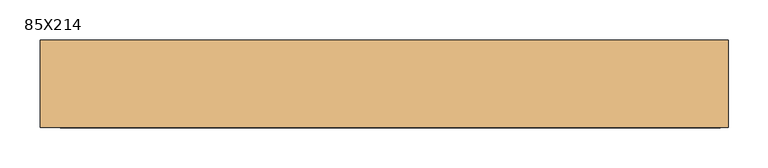
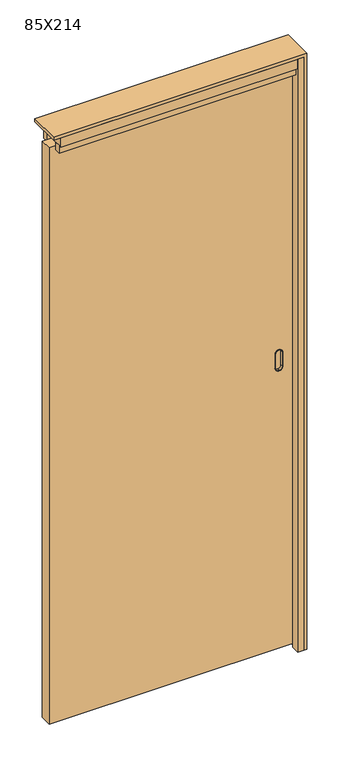
"""IFC4 building model written with IfcOpenShell, lengths in millimetres: door geometry, 85X214."""

from ifc_helpers import new_model, si_unit, point, frame, frame_2d, origin, origin_with_axes, place, context, project, spatial, polyline, circle_curve, trimmed, segment, composite_curve, outline, extrude, source, transform, mapped, element, save
from ifc_brep_helpers import plane_surface, cylinder_surface, revolved_surface, advanced_brep


def door_85x214_2cb1f0a0(model_context):
    return source(origin(), model_context, "Body", "SolidModel", [
        advanced_brep(
        [(359.5, -12.0, 1080.5), (360.5, -12.0, 1080.5), (371.5, -12.0, 1069.5), (371.5, -12.0, 1018.5), (360.5, -12.0, 1007.5), (359.5, -12.0, 1007.5), (348.5, -12.0, 1018.5), (348.5, -12.0, 1069.5), (359.5, -22.0, 1006.5), (360.5, -22.0, 1006.5), (372.5, -22.0, 1018.5), (372.5, -22.0, 1069.5), (360.5, -22.0, 1081.5), (359.5, -22.0, 1081.5), (347.5, -22.0, 1069.5), (347.5, -22.0, 1018.5), (359.5, -22.0, 1079.5), (360.5, -22.0, 1079.5), (370.5, -22.0, 1069.5), (370.5, -22.0, 1018.5), (360.5, -22.0, 1008.5), (359.5, -22.0, 1008.5), (349.5, -22.0, 1018.5), (349.5, -22.0, 1069.5), (348.5, -20.0, 1069.5), (359.5, -20.0, 1080.5), (348.5, -20.0, 1018.5), (359.5, -20.0, 1007.5), (360.5, -20.0, 1007.5), (371.5, -20.0, 1018.5), (371.5, -20.0, 1069.5), (360.5, -20.0, 1080.5), (359.5, -20.0, 1006.5), (347.5, -20.0, 1018.5), (347.5, -20.0, 1069.5), (359.5, -20.0, 1081.5), (360.5, -20.0, 1081.5), (372.5, -20.0, 1069.5), (372.5, -20.0, 1018.5), (360.5, -20.0, 1006.5), (359.5, -13.0, 1079.5), (349.5, -13.0, 1069.5), (349.5, -13.0, 1018.5), (359.5, -13.0, 1008.5), (360.5, -13.0, 1008.5), (370.5, -13.0, 1018.5), (370.5, -13.0, 1069.5), (360.5, -13.0, 1079.5)],
        [
            (0, 1),
            (1, 2, circle_curve(frame((360.5, -12.0, 1069.5), z_axis=(0.0, 1.0, 0.0), x_axis=(-1.0, 0.0, 0.0)), 11.0)),
            (2, 3),
            (3, 4, circle_curve(frame((360.5, -12.0, 1018.5), z_axis=(0.0, 1.0, 0.0), x_axis=(-1.0, 0.0, 0.0)), 11.0)),
            (4, 5),
            (5, 6, circle_curve(frame((359.5, -12.0, 1018.5), z_axis=(0.0, 1.0, 0.0), x_axis=(-1.0, 0.0, 0.0)), 11.0)),
            (6, 7),
            (7, 0, circle_curve(frame((359.5, -12.0, 1069.5), z_axis=(0.0, 1.0, 0.0), x_axis=(-1.0, 0.0, 0.0)), 11.0)),
            (8, 9),
            (9, 10, circle_curve(frame((360.5, -22.0, 1018.5), z_axis=(0.0, -1.0, 0.0), x_axis=(-1.0, 0.0, 0.0)), 12.0)),
            (10, 11),
            (11, 12, circle_curve(frame((360.5, -22.0, 1069.5), z_axis=(0.0, -1.0, 0.0), x_axis=(-1.0, 0.0, 0.0)), 12.0)),
            (12, 13),
            (13, 14, circle_curve(frame((359.5, -22.0, 1069.5), z_axis=(0.0, -1.0, 0.0), x_axis=(-1.0, 0.0, 0.0)), 12.0)),
            (14, 15),
            (15, 8, circle_curve(frame((359.5, -22.0, 1018.5), z_axis=(0.0, -1.0, 0.0), x_axis=(-1.0, 0.0, 0.0)), 12.0)),
            (16, 17),
            (17, 18, circle_curve(frame((360.5, -22.0, 1069.5), z_axis=(0.0, 1.0, 0.0), x_axis=(-1.0, 0.0, 0.0)), 10.0)),
            (18, 19),
            (19, 20, circle_curve(frame((360.5, -22.0, 1018.5), z_axis=(0.0, 1.0, 0.0), x_axis=(-1.0, 0.0, 0.0)), 10.0)),
            (20, 21),
            (21, 22, circle_curve(frame((359.5, -22.0, 1018.5), z_axis=(0.0, 1.0, 0.0), x_axis=(-1.0, 0.0, 0.0)), 10.0)),
            (22, 23),
            (23, 16, circle_curve(frame((359.5, -22.0, 1069.5), z_axis=(0.0, 1.0, 0.0), x_axis=(-1.0, 0.0, 0.0)), 10.0)),
            (7, 24),
            (24, 25, circle_curve(frame((359.5, -20.0, 1069.5), z_axis=(0.0, 1.0, 0.0), x_axis=(-1.0, 0.0, 0.0)), 11.0)),
            (25, 0),
            (6, 26),
            (26, 24),
            (5, 27),
            (27, 26, circle_curve(frame((359.5, -20.0, 1018.5), z_axis=(0.0, 1.0, 0.0), x_axis=(-1.0, 0.0, 0.0)), 11.0)),
            (4, 28),
            (28, 27),
            (3, 29),
            (29, 28, circle_curve(frame((360.5, -20.0, 1018.5), z_axis=(0.0, 1.0, 0.0), x_axis=(-1.0, 0.0, 0.0)), 11.0)),
            (2, 30),
            (30, 29),
            (1, 31),
            (31, 30, circle_curve(frame((360.5, -20.0, 1069.5), z_axis=(0.0, 1.0, 0.0), x_axis=(-1.0, 0.0, 0.0)), 11.0)),
            (25, 31),
            (32, 33, circle_curve(frame((359.5, -20.0, 1018.5), z_axis=(0.0, 1.0, 0.0), x_axis=(-1.0, 0.0, 0.0)), 12.0)),
            (33, 34),
            (34, 35, circle_curve(frame((359.5, -20.0, 1069.5), z_axis=(0.0, 1.0, 0.0), x_axis=(-1.0, 0.0, 0.0)), 12.0)),
            (35, 36),
            (36, 37, circle_curve(frame((360.5, -20.0, 1069.5), z_axis=(0.0, 1.0, 0.0), x_axis=(-1.0, 0.0, 0.0)), 12.0)),
            (37, 38),
            (38, 39, circle_curve(frame((360.5, -20.0, 1018.5), z_axis=(0.0, 1.0, 0.0), x_axis=(-1.0, 0.0, 0.0)), 12.0)),
            (39, 32),
            (39, 9),
            (8, 32),
            (38, 10),
            (37, 11),
            (36, 12),
            (35, 13),
            (34, 14),
            (33, 15),
            (40, 41, circle_curve(frame((359.5, -13.0, 1069.5), z_axis=(0.0, -1.0, 0.0), x_axis=(-1.0, 0.0, 0.0)), 10.0)),
            (41, 42),
            (42, 43, circle_curve(frame((359.5, -13.0, 1018.5), z_axis=(0.0, -1.0, 0.0), x_axis=(-1.0, 0.0, 0.0)), 10.0)),
            (43, 44),
            (44, 45, circle_curve(frame((360.5, -13.0, 1018.5), z_axis=(0.0, -1.0, 0.0), x_axis=(-1.0, 0.0, 0.0)), 10.0)),
            (45, 46),
            (46, 47, circle_curve(frame((360.5, -13.0, 1069.5), z_axis=(0.0, -1.0, 0.0), x_axis=(-1.0, 0.0, 0.0)), 10.0)),
            (47, 40),
            (40, 16),
            (23, 41),
            (22, 42),
            (21, 43),
            (20, 44),
            (19, 45),
            (18, 46),
            (17, 47),
        ],
        [
            plane_surface(frame((348.5, -12.0, 1069.5), z_axis=(0.0, 1.0, 0.0), x_axis=(0.0, 0.0, -1.0))),
            plane_surface(frame((348.5, -22.0, 1069.5), z_axis=(0.0, -1.0, 0.0), x_axis=(0.0, 0.0, 1.0))),
            cylinder_surface(frame((359.5, -22.0, 1069.5), z_axis=(0.0, 1.0, 0.0), x_axis=(-1.0, 0.0, 0.0)), 11.0),
            plane_surface(frame((348.5, -12.0, 1069.5), z_axis=(-1.0, 0.0, 0.0), x_axis=(0.0, -1.0, 0.0))),
            cylinder_surface(frame((359.5, -22.0, 1018.5), z_axis=(0.0, 1.0, 0.0), x_axis=(-1.0, 0.0, 0.0)), 11.0),
            plane_surface(frame((359.5, -12.0, 1007.5), z_axis=(0.0, 0.0, -1.0), x_axis=(0.0, -1.0, 0.0))),
            cylinder_surface(frame((360.5, -22.0, 1018.5), z_axis=(0.0, 1.0, 0.0), x_axis=(-1.0, 0.0, 0.0)), 11.0),
            plane_surface(frame((371.5, -12.0, 1018.5), z_axis=(1.0, 0.0, 0.0), x_axis=(0.0, -1.0, 0.0))),
            cylinder_surface(frame((360.5, -22.0, 1069.5), z_axis=(0.0, 1.0, 0.0), x_axis=(-1.0, 0.0, 0.0)), 11.0),
            plane_surface(frame((360.5, -12.0, 1080.5), z_axis=(0.0, 0.0, 1.0), x_axis=(0.0, -1.0, 0.0))),
            plane_surface(frame((372.5, -20.0, 1006.5), z_axis=(0.0, 1.0, 0.0), x_axis=(1.0, 0.0, 0.0))),
            plane_surface(frame((359.5, -20.0, 1006.5), z_axis=(0.0, 0.0, -1.0), x_axis=(0.0, -1.0, 0.0))),
            cylinder_surface(frame((360.5, -22.0, 1018.5), z_axis=(0.0, 1.0, 0.0), x_axis=(-1.0, 0.0, 0.0)), 12.0),
            plane_surface(frame((372.5, -20.0, 1018.5), z_axis=(1.0, 0.0, 0.0), x_axis=(0.0, -1.0, 0.0))),
            cylinder_surface(frame((360.5, -22.0, 1069.5), z_axis=(0.0, 1.0, 0.0), x_axis=(-1.0, 0.0, 0.0)), 12.0),
            plane_surface(frame((360.5, -20.0, 1081.5), z_axis=(0.0, 0.0, 1.0), x_axis=(0.0, -1.0, 0.0))),
            cylinder_surface(frame((359.5, -22.0, 1069.5), z_axis=(0.0, 1.0, 0.0), x_axis=(-1.0, 0.0, 0.0)), 12.0),
            plane_surface(frame((347.5, -20.0, 1069.5), z_axis=(-1.0, 0.0, 0.0), x_axis=(0.0, -1.0, 0.0))),
            cylinder_surface(frame((359.5, -22.0, 1018.5), z_axis=(0.0, 1.0, 0.0), x_axis=(-1.0, 0.0, 0.0)), 12.0),
            plane_surface(frame((349.5, -13.0, 1069.5), z_axis=(0.0, -1.0, 0.0), x_axis=(0.0, 0.0, -1.0))),
            revolved_surface(polyline([(349.5, -13.0, 1069.5), (349.5, -22.0, 1069.5)]), (359.5, -22.0, 1069.5), (0.0, 1.0, 0.0)),
            plane_surface(frame((349.5, -13.0, 1069.5), z_axis=(1.0, 0.0, 0.0), x_axis=(0.0, -1.0, 0.0))),
            revolved_surface(polyline([(349.5, -13.0, 1018.5), (349.5, -22.0, 1018.5)]), (359.5, -22.0, 1018.5), (0.0, 1.0, 0.0)),
            plane_surface(frame((359.5, -13.0, 1008.5), z_axis=(0.0, 0.0, 1.0), x_axis=(0.0, -1.0, 0.0))),
            revolved_surface(polyline([(350.5, -13.0, 1018.5), (350.5, -22.0, 1018.5)]), (360.5, -22.0, 1018.5), (0.0, 1.0, 0.0)),
            plane_surface(frame((370.5, -13.0, 1018.5), z_axis=(-1.0, 0.0, 0.0), x_axis=(0.0, -1.0, 0.0))),
            revolved_surface(polyline([(350.5, -13.0, 1069.5), (350.5, -22.0, 1069.5)]), (360.5, -22.0, 1069.5), (0.0, 1.0, 0.0)),
            plane_surface(frame((360.5, -13.0, 1079.5), z_axis=(0.0, 0.0, -1.0), x_axis=(0.0, -1.0, 0.0))),
        ],
        [
            (0, [[1, 2, 3, 4, 5, 6, 7, 8]]),
            (1, [[9, 10, 11, 12, 13, 14, 15, 16], [17, 18, 19, 20, 21, 22, 23, 24]]),
            (2, [[25, 26, 27, -8]]),
            (3, [[28, 29, -25, -7]]),
            (4, [[30, 31, -28, -6]]),
            (5, [[32, 33, -30, -5]]),
            (6, [[34, 35, -32, -4]]),
            (7, [[36, 37, -34, -3]]),
            (8, [[38, 39, -36, -2]]),
            (9, [[-27, 40, -38, -1]]),
            (10, [[41, 42, 43, 44, 45, 46, 47, 48], [-29, -31, -33, -35, -37, -39, -40, -26]]),
            (11, [[49, -9, 50, -48]]),
            (12, [[51, -10, -49, -47]]),
            (13, [[52, -11, -51, -46]]),
            (14, [[53, -12, -52, -45]]),
            (15, [[54, -13, -53, -44]]),
            (16, [[55, -14, -54, -43]]),
            (17, [[56, -15, -55, -42]]),
            (18, [[-50, -16, -56, -41]]),
            (19, [[57, 58, 59, 60, 61, 62, 63, 64]]),
            (20, [[65, -24, 66, -57]]),
            (21, [[-66, -23, 67, -58]]),
            (22, [[-67, -22, 68, -59]]),
            (23, [[-68, -21, 69, -60]]),
            (24, [[-69, -20, 70, -61]]),
            (25, [[-70, -19, 71, -62]]),
            (26, [[-71, -18, 72, -63]]),
            (27, [[-72, -17, -65, -64]]),
        ],
    ),
        advanced_brep(
        [(359.5, 12.0, 1080.5), (348.5, 12.0, 1069.5), (348.5, 12.0, 1018.5), (359.5, 12.0, 1007.5), (360.5, 12.0, 1007.5), (371.5, 12.0, 1018.5), (371.5, 12.0, 1069.5), (360.5, 12.0, 1080.5), (359.5, 22.0, 1006.5), (347.5, 22.0, 1018.5), (347.5, 22.0, 1069.5), (359.5, 22.0, 1081.5), (360.5, 22.0, 1081.5), (372.5, 22.0, 1069.5), (372.5, 22.0, 1018.5), (360.5, 22.0, 1006.5), (359.5, 22.0, 1079.5), (349.5, 22.0, 1069.5), (349.5, 22.0, 1018.5), (359.5, 22.0, 1008.5), (360.5, 22.0, 1008.5), (370.5, 22.0, 1018.5), (370.5, 22.0, 1069.5), (360.5, 22.0, 1079.5), (359.5, 20.0, 1080.5), (348.5, 20.0, 1069.5), (348.5, 20.0, 1018.5), (359.5, 20.0, 1007.5), (360.5, 20.0, 1007.5), (371.5, 20.0, 1018.5), (371.5, 20.0, 1069.5), (360.5, 20.0, 1080.5), (359.5, 20.0, 1006.5), (360.5, 20.0, 1006.5), (372.5, 20.0, 1018.5), (372.5, 20.0, 1069.5), (360.5, 20.0, 1081.5), (359.5, 20.0, 1081.5), (347.5, 20.0, 1069.5), (347.5, 20.0, 1018.5), (359.5, 13.0, 1079.5), (360.5, 13.0, 1079.5), (370.5, 13.0, 1069.5), (370.5, 13.0, 1018.5), (360.5, 13.0, 1008.5), (359.5, 13.0, 1008.5), (349.5, 13.0, 1018.5), (349.5, 13.0, 1069.5)],
        [
            (0, 1, circle_curve(frame((359.5, 12.0, 1069.5), z_axis=(0.0, -1.0, 0.0), x_axis=(-1.0, 0.0, 0.0)), 11.0)),
            (1, 2),
            (2, 3, circle_curve(frame((359.5, 12.0, 1018.5), z_axis=(0.0, -1.0, 0.0), x_axis=(-1.0, 0.0, 0.0)), 11.0)),
            (3, 4),
            (4, 5, circle_curve(frame((360.5, 12.0, 1018.5), z_axis=(0.0, -1.0, 0.0), x_axis=(-1.0, 0.0, 0.0)), 11.0)),
            (5, 6),
            (6, 7, circle_curve(frame((360.5, 12.0, 1069.5), z_axis=(0.0, -1.0, 0.0), x_axis=(-1.0, 0.0, 0.0)), 11.0)),
            (7, 0),
            (8, 9, circle_curve(frame((359.5, 22.0, 1018.5), z_axis=(0.0, 1.0, 0.0), x_axis=(-1.0, 0.0, 0.0)), 12.0)),
            (9, 10),
            (10, 11, circle_curve(frame((359.5, 22.0, 1069.5), z_axis=(0.0, 1.0, 0.0), x_axis=(-1.0, 0.0, 0.0)), 12.0)),
            (11, 12),
            (12, 13, circle_curve(frame((360.5, 22.0, 1069.5), z_axis=(0.0, 1.0, 0.0), x_axis=(-1.0, 0.0, 0.0)), 12.0)),
            (13, 14),
            (14, 15, circle_curve(frame((360.5, 22.0, 1018.5), z_axis=(0.0, 1.0, 0.0), x_axis=(-1.0, 0.0, 0.0)), 12.0)),
            (15, 8),
            (16, 17, circle_curve(frame((359.5, 22.0, 1069.5), z_axis=(0.0, -1.0, 0.0), x_axis=(-1.0, 0.0, 0.0)), 10.0)),
            (17, 18),
            (18, 19, circle_curve(frame((359.5, 22.0, 1018.5), z_axis=(0.0, -1.0, 0.0), x_axis=(-1.0, 0.0, 0.0)), 10.0)),
            (19, 20),
            (20, 21, circle_curve(frame((360.5, 22.0, 1018.5), z_axis=(0.0, -1.0, 0.0), x_axis=(-1.0, 0.0, 0.0)), 10.0)),
            (21, 22),
            (22, 23, circle_curve(frame((360.5, 22.0, 1069.5), z_axis=(0.0, -1.0, 0.0), x_axis=(-1.0, 0.0, 0.0)), 10.0)),
            (23, 16),
            (0, 24),
            (24, 25, circle_curve(frame((359.5, 20.0, 1069.5), z_axis=(0.0, -1.0, 0.0), x_axis=(-1.0, 0.0, 0.0)), 11.0)),
            (25, 1),
            (25, 26),
            (26, 2),
            (26, 27, circle_curve(frame((359.5, 20.0, 1018.5), z_axis=(0.0, -1.0, 0.0), x_axis=(-1.0, 0.0, 0.0)), 11.0)),
            (27, 3),
            (27, 28),
            (28, 4),
            (28, 29, circle_curve(frame((360.5, 20.0, 1018.5), z_axis=(0.0, -1.0, 0.0), x_axis=(-1.0, 0.0, 0.0)), 11.0)),
            (29, 5),
            (29, 30),
            (30, 6),
            (30, 31, circle_curve(frame((360.5, 20.0, 1069.5), z_axis=(0.0, -1.0, 0.0), x_axis=(-1.0, 0.0, 0.0)), 11.0)),
            (31, 7),
            (31, 24),
            (32, 33),
            (33, 34, circle_curve(frame((360.5, 20.0, 1018.5), z_axis=(0.0, -1.0, 0.0), x_axis=(-1.0, 0.0, 0.0)), 12.0)),
            (34, 35),
            (35, 36, circle_curve(frame((360.5, 20.0, 1069.5), z_axis=(0.0, -1.0, 0.0), x_axis=(-1.0, 0.0, 0.0)), 12.0)),
            (36, 37),
            (37, 38, circle_curve(frame((359.5, 20.0, 1069.5), z_axis=(0.0, -1.0, 0.0), x_axis=(-1.0, 0.0, 0.0)), 12.0)),
            (38, 39),
            (39, 32, circle_curve(frame((359.5, 20.0, 1018.5), z_axis=(0.0, -1.0, 0.0), x_axis=(-1.0, 0.0, 0.0)), 12.0)),
            (32, 8),
            (15, 33),
            (14, 34),
            (13, 35),
            (12, 36),
            (11, 37),
            (10, 38),
            (9, 39),
            (40, 41),
            (41, 42, circle_curve(frame((360.5, 13.0, 1069.5), z_axis=(0.0, 1.0, 0.0), x_axis=(-1.0, 0.0, 0.0)), 10.0)),
            (42, 43),
            (43, 44, circle_curve(frame((360.5, 13.0, 1018.5), z_axis=(0.0, 1.0, 0.0), x_axis=(-1.0, 0.0, 0.0)), 10.0)),
            (44, 45),
            (45, 46, circle_curve(frame((359.5, 13.0, 1018.5), z_axis=(0.0, 1.0, 0.0), x_axis=(-1.0, 0.0, 0.0)), 10.0)),
            (46, 47),
            (47, 40, circle_curve(frame((359.5, 13.0, 1069.5), z_axis=(0.0, 1.0, 0.0), x_axis=(-1.0, 0.0, 0.0)), 10.0)),
            (47, 17),
            (16, 40),
            (46, 18),
            (45, 19),
            (44, 20),
            (43, 21),
            (42, 22),
            (41, 23),
        ],
        [
            plane_surface(frame((348.5, 12.0, 1069.5), z_axis=(0.0, -1.0, 0.0), x_axis=(0.0, 0.0, -1.0))),
            plane_surface(frame((348.5, 22.0, 1069.5), z_axis=(0.0, 1.0, 0.0), x_axis=(0.0, 0.0, 1.0))),
            cylinder_surface(frame((359.5, 22.0, 1069.5), z_axis=(0.0, -1.0, 0.0), x_axis=(-1.0, 0.0, 0.0)), 11.0),
            plane_surface(frame((348.5, 12.0, 1069.5), z_axis=(-1.0, 0.0, 0.0), x_axis=(0.0, 1.0, 0.0))),
            cylinder_surface(frame((359.5, 22.0, 1018.5), z_axis=(0.0, -1.0, 0.0), x_axis=(-1.0, 0.0, 0.0)), 11.0),
            plane_surface(frame((359.5, 12.0, 1007.5), z_axis=(0.0, 0.0, -1.0), x_axis=(0.0, 1.0, 0.0))),
            cylinder_surface(frame((360.5, 22.0, 1018.5), z_axis=(0.0, -1.0, 0.0), x_axis=(-1.0, 0.0, 0.0)), 11.0),
            plane_surface(frame((371.5, 12.0, 1018.5), z_axis=(1.0, 0.0, 0.0), x_axis=(0.0, 1.0, 0.0))),
            cylinder_surface(frame((360.5, 22.0, 1069.5), z_axis=(0.0, -1.0, 0.0), x_axis=(-1.0, 0.0, 0.0)), 11.0),
            plane_surface(frame((360.5, 12.0, 1080.5), z_axis=(0.0, 0.0, 1.0), x_axis=(0.0, 1.0, 0.0))),
            plane_surface(frame((372.5, 20.0, 1006.5), z_axis=(0.0, -1.0, 0.0), x_axis=(1.0, 0.0, 0.0))),
            plane_surface(frame((359.5, 20.0, 1006.5), z_axis=(0.0, 0.0, -1.0), x_axis=(0.0, 1.0, 0.0))),
            cylinder_surface(frame((360.5, 22.0, 1018.5), z_axis=(0.0, -1.0, 0.0), x_axis=(-1.0, 0.0, 0.0)), 12.0),
            plane_surface(frame((372.5, 20.0, 1018.5), z_axis=(1.0, 0.0, 0.0), x_axis=(0.0, 1.0, 0.0))),
            cylinder_surface(frame((360.5, 22.0, 1069.5), z_axis=(0.0, -1.0, 0.0), x_axis=(-1.0, 0.0, 0.0)), 12.0),
            plane_surface(frame((360.5, 20.0, 1081.5), z_axis=(0.0, 0.0, 1.0), x_axis=(0.0, 1.0, 0.0))),
            cylinder_surface(frame((359.5, 22.0, 1069.5), z_axis=(0.0, -1.0, 0.0), x_axis=(-1.0, 0.0, 0.0)), 12.0),
            plane_surface(frame((347.5, 20.0, 1069.5), z_axis=(-1.0, 0.0, 0.0), x_axis=(0.0, 1.0, 0.0))),
            cylinder_surface(frame((359.5, 22.0, 1018.5), z_axis=(0.0, -1.0, 0.0), x_axis=(-1.0, 0.0, 0.0)), 12.0),
            plane_surface(frame((349.5, 13.0, 1069.5), z_axis=(0.0, 1.0, 0.0), x_axis=(0.0, 0.0, -1.0))),
            revolved_surface(polyline([(349.5, 13.0, 1069.5), (349.5, 22.0, 1069.5)]), (359.5, 22.0, 1069.5), (0.0, -1.0, 0.0)),
            plane_surface(frame((349.5, 13.0, 1069.5), z_axis=(1.0, 0.0, 0.0), x_axis=(0.0, 1.0, 0.0))),
            revolved_surface(polyline([(349.5, 13.0, 1018.5), (349.5, 22.0, 1018.5)]), (359.5, 22.0, 1018.5), (0.0, -1.0, 0.0)),
            plane_surface(frame((359.5, 13.0, 1008.5), z_axis=(0.0, 0.0, 1.0), x_axis=(0.0, 1.0, 0.0))),
            revolved_surface(polyline([(350.5, 13.0, 1018.5), (350.5, 22.0, 1018.5)]), (360.5, 22.0, 1018.5), (0.0, -1.0, 0.0)),
            plane_surface(frame((370.5, 13.0, 1018.5), z_axis=(-1.0, 0.0, 0.0), x_axis=(0.0, 1.0, 0.0))),
            revolved_surface(polyline([(350.5, 13.0, 1069.5), (350.5, 22.0, 1069.5)]), (360.5, 22.0, 1069.5), (0.0, -1.0, 0.0)),
            plane_surface(frame((360.5, 13.0, 1079.5), z_axis=(0.0, 0.0, -1.0), x_axis=(0.0, 1.0, 0.0))),
        ],
        [
            (0, [[1, 2, 3, 4, 5, 6, 7, 8]]),
            (1, [[9, 10, 11, 12, 13, 14, 15, 16], [17, 18, 19, 20, 21, 22, 23, 24]]),
            (2, [[-1, 25, 26, 27]]),
            (3, [[-2, -27, 28, 29]]),
            (4, [[-3, -29, 30, 31]]),
            (5, [[-4, -31, 32, 33]]),
            (6, [[-5, -33, 34, 35]]),
            (7, [[-6, -35, 36, 37]]),
            (8, [[-7, -37, 38, 39]]),
            (9, [[-8, -39, 40, -25]]),
            (10, [[41, 42, 43, 44, 45, 46, 47, 48], [-26, -40, -38, -36, -34, -32, -30, -28]]),
            (11, [[-41, 49, -16, 50]]),
            (12, [[-42, -50, -15, 51]]),
            (13, [[-43, -51, -14, 52]]),
            (14, [[-44, -52, -13, 53]]),
            (15, [[-45, -53, -12, 54]]),
            (16, [[-46, -54, -11, 55]]),
            (17, [[-47, -55, -10, 56]]),
            (18, [[-48, -56, -9, -49]]),
            (19, [[57, 58, 59, 60, 61, 62, 63, 64]]),
            (20, [[-64, 65, -17, 66]]),
            (21, [[-63, 67, -18, -65]]),
            (22, [[-62, 68, -19, -67]]),
            (23, [[-61, 69, -20, -68]]),
            (24, [[-60, 70, -21, -69]]),
            (25, [[-59, 71, -22, -70]]),
            (26, [[-58, 72, -23, -71]]),
            (27, [[-57, -66, -24, -72]]),
        ],
    ),
        extrude(outline(polyline([(2079.0, -420.0), (9.0, -420.0), (9.0, 410.0), (2079.0, 410.0), (2079.0, -420.0)]), holes=[composite_curve([segment(trimmed(circle_curve(frame_2d((1070.0, 359.0)), 10.0), [point((1070.0, 349.0))], [point((1080.0, 359.0))], True, "CARTESIAN"), True, "CONTINUOUS"), segment(polyline([(1080.0, 359.0), (1080.0, 361.0)]), True, "CONTINUOUS"), segment(trimmed(circle_curve(frame_2d((1070.0, 361.0)), 10.0), [point((1080.0, 361.0))], [point((1070.0, 371.0))], True, "CARTESIAN"), True, "CONTINUOUS"), segment(polyline([(1070.0, 371.0), (1018.0, 371.0)]), True, "CONTINUOUS"), segment(trimmed(circle_curve(frame_2d((1018.0, 361.0)), 10.0), [point((1018.0, 371.0))], [point((1008.0, 361.0))], True, "CARTESIAN"), True, "CONTINUOUS"), segment(polyline([(1008.0, 361.0), (1008.0, 359.0)]), True, "CONTINUOUS"), segment(trimmed(circle_curve(frame_2d((1018.0, 359.0)), 10.0), [point((1008.0, 359.0))], [point((1018.0, 349.0))], True, "CARTESIAN"), True, "CONTINUOUS"), segment(polyline([(1018.0, 349.0), (1070.0, 349.0)]), True, "CONTINUOUS")], self_intersect=False)]), frame((0.0, -20.0, 0.0), z_axis=(0.0, 1.0, 0.0), x_axis=(0.0, 0.0, 1.0)), (0.0, 0.0, 1.0), 40.0),
        extrude(outline(polyline([(425.0, -55.0), (404.0, -55.0), (404.0, -25.0), (410.0, -25.0), (410.0, 25.0), (404.0, 25.0), (404.0, 55.0), (425.0, 55.0), (425.0, -55.0)])), origin_with_axes(), (0.0, 0.0, 1.0), 2130.0),
        extrude(outline(polyline([(2140.0, -425.0), (2130.0, -425.0), (2130.0, 425.0), (0.0, 425.0), (0.0, 435.0), (2140.0, 435.0), (2140.0, -425.0)])), frame((0.0, -55.0, 0.0), z_axis=(0.0, 1.0, 0.0), x_axis=(0.0, 0.0, 1.0)), (0.0, 0.0, 1.0), 110.0),
        extrude(outline(polyline([(404.0, -25.0), (404.0, -45.0), (-400.0, -45.0), (-400.0, -25.0), (404.0, -25.0)])), frame((0.0, 0.0, 2068.0), z_axis=(0.0, 0.0, 1.0), x_axis=(1.0, 0.0, 0.0)), (0.0, 0.0, 1.0), 28.0),
        extrude(outline(polyline([(404.0, 45.0), (404.0, 25.0), (-400.0, 25.0), (-400.0, 45.0), (404.0, 45.0)])), frame((0.0, 0.0, 2068.0), z_axis=(0.0, 0.0, 1.0), x_axis=(1.0, 0.0, 0.0)), (0.0, 0.0, 1.0), 28.0),
        extrude(outline(polyline([(404.0, -16.0), (404.0, -55.0), (-400.0, -55.0), (-400.0, -16.0), (404.0, -16.0)])), frame((0.0, 0.0, 2096.0), z_axis=(0.0, 0.0, 1.0), x_axis=(1.0, 0.0, 0.0)), (0.0, 0.0, 1.0), 34.0),
        extrude(outline(polyline([(404.0, 55.0), (404.0, 16.0), (-400.0, 16.0), (-400.0, 55.0), (404.0, 55.0)])), frame((0.0, 0.0, 2096.0), z_axis=(0.0, 0.0, 1.0), x_axis=(1.0, 0.0, 0.0)), (0.0, 0.0, 1.0), 34.0),
    ])


if __name__ == "__main__":
    model = new_model("IFC4")
    model_context = context("Model", 3, world=origin())
    ifc_project = project(units=[si_unit("LENGTHUNIT", "METRE", prefix="MILLI")], contexts=[model_context])
    site = spatial("IfcSite", under=ifc_project)
    building = spatial("IfcBuilding", under=site)
    placement = place(None, origin())
    door_85x214_shape = door_85x214_2cb1f0a0(model_context)
    element("IfcDoor", 1, ObjectType="85X214", at=placement, inside=building, context=model_context, shape_type="MappedRepresentation", body=[
        mapped(door_85x214_shape, transform((0.0, 0.0, 0.0), x_axis=(1.0, 0.0, 0.0), y_axis=(0.0, 1.0, 0.0), z_axis=(0.0, 0.0, 1.0))),
    ])
    save(model, "model.ifc")
